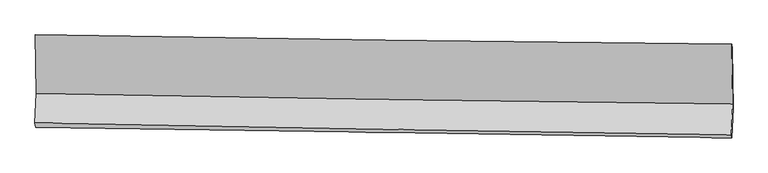
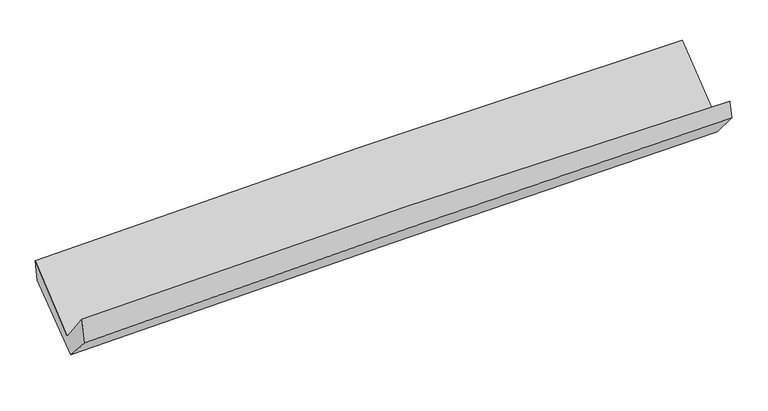
"""IFC4 building model written with IfcOpenShell, lengths in millimetres: proxy geometry."""

import ifcopenshell
import ifcopenshell.guid

model = None  # the IFC model being written
_history = None  # IfcOwnerHistory: only IFC2X3 demands one
_inside = {}  # id of a spatial element -> (the spatial element, [elements in it])
_under = {}  # id of a project, library or spatial element -> (it, [spatial elements below it])
_declared = {}  # id of a project -> (the project, [libraries it declares])
_typed = {}  # id of a type object -> (the type object, [elements of that type])
_made_of = {}  # id of a material, layer set ... -> (it, [elements and type objects made of it])


def new_model(schema):
    """Start an empty IFC model of exactly this schema.

    Asked for "IFC4X3", IfcOpenShell would pick the latest addendum, in which some entities
    have other attributes; the version numbers below select the first issue.
    IFC2X3 requires an IfcOwnerHistory on every rooted entity: one is made here for all.
    """
    global model, _history
    if schema == "IFC4X3":
        model = ifcopenshell.file(schema_version=(4, 3, 0, 0))
    else:
        model = ifcopenshell.file(schema=schema)
    _inside.clear()
    _under.clear()
    _declared.clear()
    _typed.clear()
    _made_of.clear()
    _history = None
    if model.schema == "IFC2X3":
        org = make("IfcOrganization", Name="unknown")
        user = make(
            "IfcPersonAndOrganization",
            ThePerson=make("IfcPerson", FamilyName="unknown"),
            TheOrganization=org,
        )
        app = make(
            "IfcApplication",
            ApplicationDeveloper=org,
            Version="unknown",
            ApplicationFullName="unknown",
            ApplicationIdentifier="unknown",
        )
        _history = make(
            "IfcOwnerHistory",
            OwningUser=user,
            OwningApplication=app,
            ChangeAction="ADDED",
            CreationDate=0,
        )
    return model


def make(cls, **values):
    """One entity of the class cls with the attributes given. An attribute that is None is left unset."""
    return model.create_entity(
        cls, **{name: value for name, value in values.items() if value is not None}
    )


def rooted(cls, **values):
    """An entity with a GlobalId (a new one), such as an element, a storey or a relation."""
    return make(cls, GlobalId=ifcopenshell.guid.new(), OwnerHistory=_history, **values)


def si_unit(unit_type, name, prefix=None):
    """IfcSIUnit, for example si_unit("LENGTHUNIT", "METRE", prefix="MILLI")."""
    return make("IfcSIUnit", UnitType=unit_type, Prefix=prefix, Name=name)


def assignment(units):
    """IfcUnitAssignment: the units of a project."""
    return None if units is None else make("IfcUnitAssignment", Units=units)


def point(xyz):
    """IfcCartesianPoint."""
    return None if xyz is None else make("IfcCartesianPoint", Coordinates=xyz)


def direction(xyz):
    """IfcDirection."""
    return None if xyz is None else make("IfcDirection", DirectionRatios=xyz)


def frame(location, z_axis=None, x_axis=None):
    """IfcAxis2Placement3D, a coordinate frame: its origin and axes. An axis left out is left unset."""
    return make(
        "IfcAxis2Placement3D",
        Location=point(location),
        Axis=direction(z_axis),
        RefDirection=direction(x_axis),
    )


def origin():
    """The frame at (0, 0, 0) with its axes left unset."""
    return frame((0.0, 0.0, 0.0))


def place(relative_to, where):
    """IfcLocalPlacement: puts the frame where relative to a parent placement (None: the world)."""
    return make(
        "IfcLocalPlacement", PlacementRelTo=relative_to, RelativePlacement=where
    )


def context(
    kind, dimensions, precision=None, world=None, true_north=None, identifier=None
):
    """IfcGeometricRepresentationContext, for example the 3D "Model" context."""
    return make(
        "IfcGeometricRepresentationContext",
        ContextIdentifier=identifier,
        ContextType=kind,
        CoordinateSpaceDimension=dimensions,
        Precision=precision,
        WorldCoordinateSystem=world,
        TrueNorth=true_north,
    )


def project(units=None, contexts=None):
    """IfcProject with its units and contexts."""
    return rooted(
        "IfcProject",
        Name="project",
        RepresentationContexts=contexts,
        UnitsInContext=assignment(units),
    )


def spatial(cls, under=None, at=None, **own):
    """A site, building, storey or space (cls), placed at a placement, below another one or the project."""
    s = rooted(cls, ObjectPlacement=at, **own)
    if under is not None:
        _under.setdefault(under.id(), (under, []))[1].append(s)
    return s


def shape(context_of_items, identifier, shape_type, items):
    """IfcShapeRepresentation: the items that make up one representation, for example the "Body"."""
    return make(
        "IfcShapeRepresentation",
        ContextOfItems=context_of_items,
        RepresentationIdentifier=identifier,
        RepresentationType=shape_type,
        Items=items,
    )


def source(mapping_origin, context_of_items, identifier, shape_type, items):
    """IfcRepresentationMap: a shape defined once, which mapped items show again and again."""
    return make(
        "IfcRepresentationMap",
        MappingOrigin=mapping_origin,
        MappedRepresentation=shape(context_of_items, identifier, shape_type, items),
    )


def transform(
    local_origin,
    x_axis=None,
    y_axis=None,
    z_axis=None,
    scale=None,
    scale2=None,
    scale3=None,
    uniform=True,
):
    """IfcCartesianTransformationOperator3D, or its non-uniform kind. x_axis, y_axis, z_axis: its Axis1, 2, 3."""
    if uniform:
        return make(
            "IfcCartesianTransformationOperator3D",
            Axis1=direction(x_axis),
            Axis2=direction(y_axis),
            LocalOrigin=point(local_origin),
            Scale=scale,
            Axis3=direction(z_axis),
        )
    return make(
        "IfcCartesianTransformationOperator3DnonUniform",
        Axis1=direction(x_axis),
        Axis2=direction(y_axis),
        LocalOrigin=point(local_origin),
        Scale=scale,
        Axis3=direction(z_axis),
        Scale2=scale2,
        Scale3=scale3,
    )


def mapped(mapping_source, mapping_target):
    """IfcMappedItem: shows the shape of a source again, moved by a transform."""
    return make(
        "IfcMappedItem", MappingSource=mapping_source, MappingTarget=mapping_target
    )


def made_of(thing, what):
    """Note that an element or type object is made of a material, layer set ...; save() writes the relation."""
    if what is not None:
        _made_of.setdefault(what.id(), (what, []))[1].append(thing)
    return thing


def element(
    cls,
    number,
    at=None,
    inside=None,
    cuts=None,
    type_object=None,
    material=None,
    context=None,
    identifier="Body",
    shape_type=None,
    held_by="IfcProductDefinitionShape",
    body=None,
    shapes=None,
    **own,
):
    """One element of the class cls, such as IfcWall. Its Tag is "e" and its number.

    at: its placement. inside: the storey or other place that contains it. cuts: it is an
    opening in that element (IfcRelVoidsElement). A single representation is given by context,
    identifier, shape_type and body (its items); several are given by shapes. held_by: the class
    of the entity that holds the representations. save() writes the other relations.
    """
    e = rooted(cls, Tag="e%d" % number, ObjectPlacement=at, **own)
    if body is not None:
        shapes = [shape(context, identifier, shape_type, body)]
    if shapes is not None:
        e.Representation = make(held_by, Representations=shapes)
    if inside is not None:
        _inside.setdefault(inside.id(), (inside, []))[1].append(e)
    if cuts is not None:
        rooted(
            "IfcRelVoidsElement", RelatingBuildingElement=cuts, RelatedOpeningElement=e
        )
    if type_object is not None:
        _typed.setdefault(type_object.id(), (type_object, []))[1].append(e)
    return made_of(e, material)


def aggregate(whole, parts):
    """IfcRelAggregates: a whole, such as a stair, and the parts it consists of."""
    return rooted("IfcRelAggregates", RelatingObject=whole, RelatedObjects=parts)


def save(model, path):
    """Write the relations noted so far, then the file.

    IfcRelAggregates (storeys below a building ...), IfcRelContainedInSpatialStructure (elements
    in a storey), IfcRelDefinesByType, IfcRelAssociatesMaterial and IfcRelDeclares: one each for
    every whole, place, type object, material and project.
    """
    for whole, parts in _under.values():
        aggregate(whole, parts)
    for where, things in _inside.values():
        rooted(
            "IfcRelContainedInSpatialStructure",
            RelatedElements=things,
            RelatingStructure=where,
        )
    for kind, things in _typed.values():
        rooted("IfcRelDefinesByType", RelatedObjects=things, RelatingType=kind)
    for what, things in _made_of.values():
        rooted("IfcRelAssociatesMaterial", RelatedObjects=things, RelatingMaterial=what)
    for by, libraries in _declared.values():
        rooted("IfcRelDeclares", RelatingContext=by, RelatedDefinitions=libraries)
    model.write(path)


def plane_surface(at):
    """IfcPlane: the flat surface through the origin of the frame at, square to its z axis."""
    return make("IfcPlane", Position=at)


def spline_curve(degree, points, multiplicities, knots, weights=None):
    """IfcBSplineCurveWithKnots; with weights, IfcRationalBSplineCurveWithKnots."""
    own = dict(
        Degree=degree,
        ControlPointsList=[point(p) for p in points],
        CurveForm="UNSPECIFIED",
        ClosedCurve=False,
        SelfIntersect=False,
        KnotMultiplicities=multiplicities,
        Knots=knots,
        KnotSpec="UNSPECIFIED",
    )
    if weights is None:
        return make("IfcBSplineCurveWithKnots", **own)
    return make("IfcRationalBSplineCurveWithKnots", WeightsData=weights, **own)


def spline_surface(u_degree, v_degree, points, u_multiplicities, v_multiplicities, u_knots, v_knots, weights=None):
    """IfcBSplineSurfaceWithKnots; with weights, IfcRationalBSplineSurfaceWithKnots. points: one row for each step in u."""
    own = dict(
        UDegree=u_degree,
        VDegree=v_degree,
        ControlPointsList=[[point(p) for p in row] for row in points],
        SurfaceForm="UNSPECIFIED",
        UClosed=False,
        VClosed=False,
        SelfIntersect=False,
        UMultiplicities=u_multiplicities,
        VMultiplicities=v_multiplicities,
        UKnots=u_knots,
        VKnots=v_knots,
        KnotSpec="UNSPECIFIED",
    )
    if weights is None:
        return make("IfcBSplineSurfaceWithKnots", **own)
    return make("IfcRationalBSplineSurfaceWithKnots", WeightsData=weights, **own)


def advanced_brep(points, edges, surfaces, faces):
    """IfcAdvancedBrep: a solid bounded by faces that lie on surfaces and meet in shared edges.

    An edge is (start, end): straight between two places in points (the first is 0);
    or (start, end, curve); or (start, end, curve, False) where it runs against its curve.
    A face is (place in surfaces, loops), or (place, loops, False) where it looks against
    its surface's normal. A loop lists edges by number (the first is 1), with a minus sign
    where the edge is run from its end to its start. The first loop is the outer one.
    """
    corners = [point(p) for p in points]
    vertices = [make("IfcVertexPoint", VertexGeometry=c) for c in corners]
    made = []
    for start, end, *more in edges:
        made.append(
            make(
                "IfcEdgeCurve",
                EdgeStart=vertices[start],
                EdgeEnd=vertices[end],
                EdgeGeometry=more[0] if more else make("IfcPolyline", Points=[corners[start], corners[end]]),
                SameSense=more[1] if len(more) > 1 else True,
            )
        )
    hull = []
    for where, loops, *sense in faces:
        bounds = []
        for j, loop in enumerate(loops):
            ring = [make("IfcOrientedEdge", EdgeElement=made[abs(k) - 1], Orientation=k > 0) for k in loop]
            bounds.append(
                make(
                    "IfcFaceOuterBound" if j == 0 else "IfcFaceBound",
                    Bound=make("IfcEdgeLoop", EdgeList=ring),
                    Orientation=True,
                )
            )
        hull.append(make("IfcAdvancedFace", Bounds=bounds, FaceSurface=surfaces[where], SameSense=sense[0] if sense else True))
    return make("IfcAdvancedBrep", Outer=make("IfcClosedShell", CfsFaces=hull))


def generic_models_7086ba25(model_context):
    return source(origin(), model_context, "Body", "AdvancedBrep", [
        advanced_brep(
        [(-3031.9933615, -1160.9464708, 2160.9675835), (-3024.2478227, -1669.8749426, 1715.1147759), (3017.906883, -1764.2848092, 1866.4842481), (3010.8201291, -1242.9570941, 2292.1111484), (-3035.5056248, -1928.2248033, 2045.9854327), (3007.523752, -2029.9291201, 2162.9515221), (-3030.1349281, -1967.6087767, 1836.4579702), (3011.2992043, -2056.9334508, 2015.8760366), (-3020.5803257, -1722.1418483, 1563.9715827), (3021.6872853, -1801.7710332, 1715.8963012), (-3027.3596214, -1183.8314774, 1983.7167146), (3014.9004096, -1280.8657732, 2130.3885819)],
        [
            (0, 1),
            (1, 2, spline_curve(3, [(-3024.2478227, -1669.8749426, 1715.1147759), (-2017.528721968, -1688.648607705, 1751.629543881), (-1010.669932196, -1705.902756739, 1782.50086166), (1003.381621467, -1737.37287734, 1832.95796451), (2010.574400047, -1751.588683416, 1852.543137353), (3017.906883, -1764.2848092, 1866.4842481)], [4, 2, 4], [0.0, 9.916037072902814, 19.832611759985053])),
            (2, 3),
            (3, 0, spline_curve(3, [(3010.8201291, -1242.9570941, 2292.1111484), (2003.107887944, -1233.151494478, 2291.182104184), (995.670333277, -1221.414238141, 2279.788371978), (-1018.600800454, -1194.077154501, 2236.072715648), (-2025.434409394, -1178.477536145, 2203.75192623), (-3031.9933615, -1160.9464708, 2160.9675835)], [4, 2, 4], [0.0, 9.916574687082239, 19.832611759985053])),
            (1, 4),
            (4, 5, spline_curve(3, [(-3035.5056248, -1928.2248033, 2045.9854327), (-2028.979989172, -1946.877436334, 2089.635508155), (-1022.145049211, -1964.678905583, 2121.207783092), (992.198042785, -1998.580437005, 2160.197789233), (1999.706228706, -2014.680406233, 2167.614210736), (3007.523752, -2029.9291201, 2162.9515221)], [4, 2, 4], [0.0, 9.916318634943837, 19.833174899332445])),
            (5, 2),
            (4, 6),
            (6, 7, spline_curve(3, [(-3030.1349281, -1967.6087767, 1836.4579702), (-2023.485767101, -1980.637203164, 1877.364022166), (-1016.721992792, -1994.594912204, 1912.768297489), (997.089372351, -2024.369702518, 1972.574916524), (2004.136975498, -2040.186885035, 1996.976663093), (3011.2992043, -2056.9334508, 2015.8760366)], [4, 2, 4], [0.0, 9.916183387996321, 19.83290439810478])),
            (7, 5),
            (6, 8),
            (8, 9, spline_curve(3, [(-3020.5803257, -1722.1418483, 1563.9715827), (-2013.743696023, -1735.954051379, 1597.751688246), (-1006.816731731, -1749.495745985, 1627.301905796), (1007.272462022, -1776.038836934, 1677.943937587), (2014.434701512, -1789.040204079, 1699.035292739), (3021.6872853, -1801.7710332, 1715.8963012)], [4, 2, 4], [0.0, 9.915734779513745, 19.832007156817586])),
            (9, 7),
            (8, 10),
            (10, 11, spline_curve(3, [(-3027.3596214, -1183.8314774, 1983.7167146), (-2020.628779248, -1198.517641831, 2021.099688071), (-1013.755342169, -1213.946675885, 2052.013674544), (1000.331319391, -1246.291360701, 2100.904998182), (2007.544559194, -1263.207091611, 2118.881634272), (3014.9004096, -1280.8657732, 2130.3885819)], [4, 2, 4], [0.0, 9.91580489146312, 19.83214738451757])),
            (11, 9),
            (10, 0),
            (3, 11),
        ],
        [
            spline_surface(3, 3, [[(-3031.9933615, -1160.9464708, 2160.9675835), (-2025.434409435, -1178.477536026, 2203.751926365), (-1018.60080045, -1194.077154395, 2236.072715693), (995.670333273, -1221.414238248, 2279.788371933), (2003.107887876, -1233.151494351, 2291.18210428), (3010.8201291, -1242.9570941, 2292.1111484)], [(-3029.411515241, -1330.589294722, 2012.349980939), (-2022.79918024, -1348.534559871, 2053.044465557), (-1015.95717765, -1364.685688568, 2084.882097737), (998.240762637, -1393.400451236, 2130.844902797), (2005.59672532, -1405.963890715, 2144.969115336), (3013.182380413, -1416.732999135, 2150.235514971)], [(-3026.829668959, -1500.232118678, 1863.732378461), (-2020.16395102, -1518.591583751, 1902.337004831), (-1013.313554872, -1535.294222717, 1933.691479691), (1000.811191978, -1565.3866642, 1981.90143357), (2008.085562723, -1578.776287073, 1998.756126378), (3015.544631687, -1590.508904165, 2008.359881529)], [(-3024.2478227, -1669.8749426, 1715.1147759), (-2017.528721825, -1688.648607595, 1751.629544023), (-1010.669932071, -1705.90275689, 1782.500861736), (1003.381621342, -1737.372877189, 1832.957964435), (2010.574400167, -1751.588683438, 1852.543137433), (3017.906883, -1764.2848092, 1866.4842481)]], [4, 4], [4, 2, 4], [0.0, 2.2416260002247084], [0.0, 9.916037072902814, 19.832611759985053]),
            spline_surface(3, 3, [[(-3024.2478227, -1669.8749426, 1715.1147759), (-2017.528721825, -1688.648607595, 1751.629544023), (-1010.669932071, -1705.90275689, 1782.500861736), (1003.381621342, -1737.372877189, 1832.957964435), (2010.574400167, -1751.588683438, 1852.543137433), (3017.906883, -1764.2848092, 1866.4842481)], [(-3028.000423407, -1755.991562826, 1825.404994848), (-2021.345810932, -1774.72488379, 1864.298198727), (-1014.49497115, -1792.161473153, 1895.403168841), (999.653761808, -1824.442063761, 1942.037906021), (2006.951676281, -1839.285924408, 1957.566828527), (3014.44583932, -1852.832912828, 1965.306672776)], [(-3031.753024093, -1842.108183074, 1935.695213752), (-2025.162900017, -1860.801160005, 1976.966853385), (-1018.320010159, -1878.420189418, 2008.305475986), (995.925902345, -1911.511250335, 2051.117847647), (2003.328952434, -1926.983165396, 2062.590519594), (3010.98479568, -1941.381016472, 2064.129097424)], [(-3035.5056248, -1928.2248033, 2045.9854327), (-2028.979989124, -1946.8774362, 2089.635508089), (-1022.145049237, -1964.678905681, 2121.207783091), (992.198042811, -1998.580436908, 2160.197789234), (1999.706228548, -2014.680406367, 2167.614210688), (3007.523752, -2029.9291201, 2162.9515221)]], [4, 4], [4, 2, 4], [0.0, 1.386500223452127], [0.0, 9.916318634943837, 19.833174899332445]),
            spline_surface(3, 3, [[(-3035.5056248, -1928.2248033, 2045.9854327), (-2028.979989124, -1946.8774362, 2089.635508089), (-1022.145049237, -1964.678905681, 2121.207783091), (992.198042811, -1998.580436908, 2160.197789234), (1999.706228548, -2014.680406367, 2167.614210688), (3007.523752, -2029.9291201, 2162.9515221)], [(-3033.715392573, -1941.352794443, 1976.142945187), (-2027.148581791, -1958.130691828, 2018.87834613), (-1020.337363733, -1974.650907821, 2051.7279546), (993.828485985, -2007.176858832, 2097.656831606), (2001.183144184, -2023.18256592, 2110.735028148), (3008.782236126, -2038.930563662, 2113.926360256)], [(-3031.925160327, -1954.480785557, 1906.300457713), (-2025.317174439, -1969.383947428, 1948.121184209), (-1018.529678254, -1984.622909931, 1982.248126131), (995.458929135, -2015.773280727, 2035.115874), (2002.660059742, -2031.684725487, 2053.85584564), (3010.040720174, -2047.932007238, 2064.901198444)], [(-3030.1349281, -1967.6087767, 1836.4579702), (-2023.485767106, -1980.637203057, 1877.36402225), (-1016.72199275, -1994.594912071, 1912.76829764), (997.089372309, -2024.369702652, 1972.574916373), (2004.136975378, -2040.18688504, 1996.9766631), (3011.2992043, -2056.9334508, 2015.8760366)]], [4, 4], [4, 2, 4], [0.0, 0.6563195693104353], [0.0, 9.916183387996321, 19.83290439810478]),
            spline_surface(3, 3, [[(-3030.1349281, -1967.6087767, 1836.4579702), (-2023.485767106, -1980.637203057, 1877.36402225), (-1016.72199275, -1994.594912071, 1912.76829764), (997.089372309, -2024.369702652, 1972.574916373), (2004.136975378, -2040.18688504, 1996.9766631), (3011.2992043, -2056.9334508, 2015.8760366)], [(-3026.950060615, -1885.786467242, 1745.629174373), (-2020.238410019, -1899.076152535, 1784.15991097), (-1013.420239088, -1912.895190015, 1817.612833736), (1000.483735575, -1941.592747383, 1874.364590063), (2007.569550796, -1956.471324726, 1897.662872982), (3014.761897966, -1971.879311604, 1915.882791474)], [(-3023.765193185, -1803.964157758, 1654.800378527), (-2016.991052989, -1817.515101987, 1690.955799672), (-1010.118485452, -1831.195468044, 1722.457369838), (1003.878098816, -1858.8157922, 1776.154263759), (2011.002126217, -1872.755764401, 1798.349082842), (3018.224591634, -1886.825172396, 1815.889546326)], [(-3020.5803257, -1722.1418483, 1563.9715827), (-2013.743695902, -1735.954051465, 1597.751688393), (-1006.816731791, -1749.495745988, 1627.301905934), (1007.272462082, -1776.038836931, 1677.943937449), (2014.434701635, -1789.040204088, 1699.035292724), (3021.6872853, -1801.7710332, 1715.8963012)]], [4, 4], [4, 2, 4], [0.0, 1.2497270487571213], [0.0, 9.915734779513745, 19.832007156817586]),
            spline_surface(3, 3, [[(-3020.5803257, -1722.1418483, 1563.9715827), (-2013.743695902, -1735.954051465, 1597.751688393), (-1006.816731791, -1749.495745988, 1627.301905934), (1007.272462082, -1776.038836931, 1677.943937449), (2014.434701635, -1789.040204088, 1699.035292724), (3021.6872853, -1801.7710332, 1715.8963012)], [(-3022.840090933, -1542.705057982, 1703.886626662), (-2016.038723712, -1556.80858155, 1738.867688271), (-1009.129601912, -1570.979389318, 1768.872495424), (1004.958747846, -1599.456344856, 1818.930957737), (2012.137987484, -1613.762499991, 1838.984073265), (3019.424993389, -1628.135946553, 1854.060394758)], [(-3025.099856167, -1363.268267718, 1843.801670638), (-2018.333751521, -1377.66311169, 1879.983688162), (-1011.442472032, -1392.463032599, 1910.443084918), (1002.645033611, -1422.873852732, 1959.91797803), (2009.841273367, -1438.484795836, 1978.932853833), (3017.162701511, -1454.500859847, 1992.224488342)], [(-3027.3596214, -1183.8314774, 1983.7167146), (-2020.628779331, -1198.517641775, 2021.099688039), (-1013.755342153, -1213.946675929, 2052.013674408), (1000.331319375, -1246.291360657, 2100.904998318), (2007.544559216, -1263.20709174, 2118.881634374), (3014.9004096, -1280.8657732, 2130.3885819)]], [4, 4], [4, 2, 4], [0.0, 2.233380866663601], [0.0, 9.91580489146312, 19.83214738451757]),
            spline_surface(3, 3, [[(-3027.3596214, -1183.8314774, 1983.7167146), (-2020.628779331, -1198.517641775, 2021.099688039), (-1013.755342153, -1213.946675929, 2052.013674408), (1000.331319375, -1246.291360657, 2100.904998318), (2007.544559216, -1263.20709174, 2118.881634374), (3014.9004096, -1280.8657732, 2130.3885819)], [(-3028.90420143, -1176.203141885, 2042.80033759), (-2022.230656029, -1191.837606544, 2081.983767505), (-1015.370494918, -1207.323502079, 2113.366688163), (998.777657341, -1237.998986515, 2160.532789517), (2006.065668756, -1253.188559261, 2176.315124341), (3013.540316086, -1268.229546818, 2184.296104065)], [(-3030.44878147, -1168.574806315, 2101.88396051), (-2023.832532737, -1185.157571257, 2142.867846899), (-1016.985647684, -1200.700328245, 2174.719701937), (997.223995307, -1229.706612389, 2220.160580734), (2004.586778337, -1243.170026829, 2233.748614313), (3012.180222614, -1255.593320482, 2238.203626235)], [(-3031.9933615, -1160.9464708, 2160.9675835), (-2025.434409435, -1178.477536026, 2203.751926365), (-1018.60080045, -1194.077154395, 2236.072715693), (995.670333273, -1221.414238248, 2279.788371933), (2003.107887876, -1233.151494351, 2291.18210428), (3010.8201291, -1242.9570941, 2292.1111484)]], [4, 4], [4, 2, 4], [0.0, 0.6000880646393355], [0.0, 9.916086207105915, 19.832710031055147]),
            plane_surface(frame((3014.0229439, -1696.1235468, 2030.6179731), z_axis=(0.999591155367185, -0.008659234531430136, 0.027249582914716994), x_axis=(-0.010194685722636555, 0.7824609769369422, 0.6226161642247195))),
            plane_surface(frame((-3028.303614, -1605.4380532, 1884.3690099), z_axis=(-0.9995911553674027, 0.008659234526364083, -0.02724958290834053), x_axis=(0.02591835637409368, -0.12800496869913894, -0.9914348020879629))),
        ],
        [
            (0, [[1, 2, 3, 4]]),
            (1, [[5, 6, 7, -2]]),
            (2, [[8, 9, 10, -6]]),
            (3, [[11, 12, 13, -9]]),
            (4, [[14, 15, 16, -12]]),
            (5, [[17, -4, 18, -15]]),
            (6, [[-16, -18, -3, -7, -10, -13]]),
            (7, [[-17, -14, -11, -8, -5, -1]]),
        ],
    ),
    ])


if __name__ == "__main__":
    model = new_model("IFC4")
    model_context = context("Model", 3, world=origin())
    ifc_project = project(units=[si_unit("LENGTHUNIT", "METRE", prefix="MILLI")], contexts=[model_context])
    site = spatial("IfcSite", under=ifc_project)
    building = spatial("IfcBuilding", under=site)
    placement = place(None, origin())
    generic_models_shape = generic_models_7086ba25(model_context)
    element("IfcBuildingElementProxy", 1, Name="Generic Models", at=placement, inside=building, context=model_context, shape_type="MappedRepresentation", body=[
        mapped(generic_models_shape, transform((0.0, 0.0, 0.0), x_axis=(1.0, 0.0, 0.0), y_axis=(0.0, 1.0, 0.0), z_axis=(0.0, 0.0, 1.0))),
    ])
    save(model, "model.ifc")
